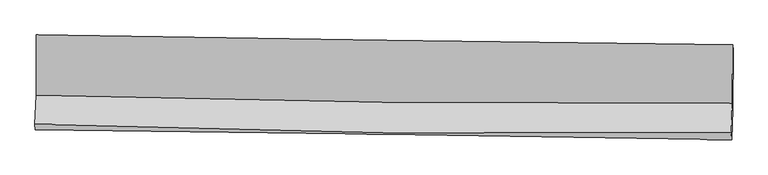
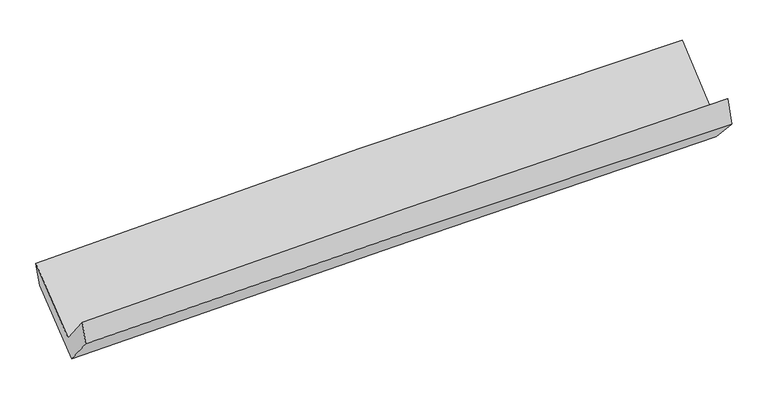
"""IFC4 building model written with IfcOpenShell, lengths in millimetres: proxy geometry."""

import ifcopenshell
import ifcopenshell.guid

model = None  # the IFC model being written
_history = None  # IfcOwnerHistory: only IFC2X3 demands one
_inside = {}  # id of a spatial element -> (the spatial element, [elements in it])
_under = {}  # id of a project, library or spatial element -> (it, [spatial elements below it])
_declared = {}  # id of a project -> (the project, [libraries it declares])
_typed = {}  # id of a type object -> (the type object, [elements of that type])
_made_of = {}  # id of a material, layer set ... -> (it, [elements and type objects made of it])


def new_model(schema):
    """Start an empty IFC model of exactly this schema.

    Asked for "IFC4X3", IfcOpenShell would pick the latest addendum, in which some entities
    have other attributes; the version numbers below select the first issue.
    IFC2X3 requires an IfcOwnerHistory on every rooted entity: one is made here for all.
    """
    global model, _history
    if schema == "IFC4X3":
        model = ifcopenshell.file(schema_version=(4, 3, 0, 0))
    else:
        model = ifcopenshell.file(schema=schema)
    _inside.clear()
    _under.clear()
    _declared.clear()
    _typed.clear()
    _made_of.clear()
    _history = None
    if model.schema == "IFC2X3":
        org = make("IfcOrganization", Name="unknown")
        user = make(
            "IfcPersonAndOrganization",
            ThePerson=make("IfcPerson", FamilyName="unknown"),
            TheOrganization=org,
        )
        app = make(
            "IfcApplication",
            ApplicationDeveloper=org,
            Version="unknown",
            ApplicationFullName="unknown",
            ApplicationIdentifier="unknown",
        )
        _history = make(
            "IfcOwnerHistory",
            OwningUser=user,
            OwningApplication=app,
            ChangeAction="ADDED",
            CreationDate=0,
        )
    return model


def make(cls, **values):
    """One entity of the class cls with the attributes given. An attribute that is None is left unset."""
    return model.create_entity(
        cls, **{name: value for name, value in values.items() if value is not None}
    )


def rooted(cls, **values):
    """An entity with a GlobalId (a new one), such as an element, a storey or a relation."""
    return make(cls, GlobalId=ifcopenshell.guid.new(), OwnerHistory=_history, **values)


def si_unit(unit_type, name, prefix=None):
    """IfcSIUnit, for example si_unit("LENGTHUNIT", "METRE", prefix="MILLI")."""
    return make("IfcSIUnit", UnitType=unit_type, Prefix=prefix, Name=name)


def assignment(units):
    """IfcUnitAssignment: the units of a project."""
    return None if units is None else make("IfcUnitAssignment", Units=units)


def point(xyz):
    """IfcCartesianPoint."""
    return None if xyz is None else make("IfcCartesianPoint", Coordinates=xyz)


def direction(xyz):
    """IfcDirection."""
    return None if xyz is None else make("IfcDirection", DirectionRatios=xyz)


def frame(location, z_axis=None, x_axis=None):
    """IfcAxis2Placement3D, a coordinate frame: its origin and axes. An axis left out is left unset."""
    return make(
        "IfcAxis2Placement3D",
        Location=point(location),
        Axis=direction(z_axis),
        RefDirection=direction(x_axis),
    )


def origin():
    """The frame at (0, 0, 0) with its axes left unset."""
    return frame((0.0, 0.0, 0.0))


def place(relative_to, where):
    """IfcLocalPlacement: puts the frame where relative to a parent placement (None: the world)."""
    return make(
        "IfcLocalPlacement", PlacementRelTo=relative_to, RelativePlacement=where
    )


def context(
    kind, dimensions, precision=None, world=None, true_north=None, identifier=None
):
    """IfcGeometricRepresentationContext, for example the 3D "Model" context."""
    return make(
        "IfcGeometricRepresentationContext",
        ContextIdentifier=identifier,
        ContextType=kind,
        CoordinateSpaceDimension=dimensions,
        Precision=precision,
        WorldCoordinateSystem=world,
        TrueNorth=true_north,
    )


def project(units=None, contexts=None):
    """IfcProject with its units and contexts."""
    return rooted(
        "IfcProject",
        Name="project",
        RepresentationContexts=contexts,
        UnitsInContext=assignment(units),
    )


def spatial(cls, under=None, at=None, **own):
    """A site, building, storey or space (cls), placed at a placement, below another one or the project."""
    s = rooted(cls, ObjectPlacement=at, **own)
    if under is not None:
        _under.setdefault(under.id(), (under, []))[1].append(s)
    return s


def shape(context_of_items, identifier, shape_type, items):
    """IfcShapeRepresentation: the items that make up one representation, for example the "Body"."""
    return make(
        "IfcShapeRepresentation",
        ContextOfItems=context_of_items,
        RepresentationIdentifier=identifier,
        RepresentationType=shape_type,
        Items=items,
    )


def source(mapping_origin, context_of_items, identifier, shape_type, items):
    """IfcRepresentationMap: a shape defined once, which mapped items show again and again."""
    return make(
        "IfcRepresentationMap",
        MappingOrigin=mapping_origin,
        MappedRepresentation=shape(context_of_items, identifier, shape_type, items),
    )


def transform(
    local_origin,
    x_axis=None,
    y_axis=None,
    z_axis=None,
    scale=None,
    scale2=None,
    scale3=None,
    uniform=True,
):
    """IfcCartesianTransformationOperator3D, or its non-uniform kind. x_axis, y_axis, z_axis: its Axis1, 2, 3."""
    if uniform:
        return make(
            "IfcCartesianTransformationOperator3D",
            Axis1=direction(x_axis),
            Axis2=direction(y_axis),
            LocalOrigin=point(local_origin),
            Scale=scale,
            Axis3=direction(z_axis),
        )
    return make(
        "IfcCartesianTransformationOperator3DnonUniform",
        Axis1=direction(x_axis),
        Axis2=direction(y_axis),
        LocalOrigin=point(local_origin),
        Scale=scale,
        Axis3=direction(z_axis),
        Scale2=scale2,
        Scale3=scale3,
    )


def mapped(mapping_source, mapping_target):
    """IfcMappedItem: shows the shape of a source again, moved by a transform."""
    return make(
        "IfcMappedItem", MappingSource=mapping_source, MappingTarget=mapping_target
    )


def made_of(thing, what):
    """Note that an element or type object is made of a material, layer set ...; save() writes the relation."""
    if what is not None:
        _made_of.setdefault(what.id(), (what, []))[1].append(thing)
    return thing


def element(
    cls,
    number,
    at=None,
    inside=None,
    cuts=None,
    type_object=None,
    material=None,
    context=None,
    identifier="Body",
    shape_type=None,
    held_by="IfcProductDefinitionShape",
    body=None,
    shapes=None,
    **own,
):
    """One element of the class cls, such as IfcWall. Its Tag is "e" and its number.

    at: its placement. inside: the storey or other place that contains it. cuts: it is an
    opening in that element (IfcRelVoidsElement). A single representation is given by context,
    identifier, shape_type and body (its items); several are given by shapes. held_by: the class
    of the entity that holds the representations. save() writes the other relations.
    """
    e = rooted(cls, Tag="e%d" % number, ObjectPlacement=at, **own)
    if body is not None:
        shapes = [shape(context, identifier, shape_type, body)]
    if shapes is not None:
        e.Representation = make(held_by, Representations=shapes)
    if inside is not None:
        _inside.setdefault(inside.id(), (inside, []))[1].append(e)
    if cuts is not None:
        rooted(
            "IfcRelVoidsElement", RelatingBuildingElement=cuts, RelatedOpeningElement=e
        )
    if type_object is not None:
        _typed.setdefault(type_object.id(), (type_object, []))[1].append(e)
    return made_of(e, material)


def aggregate(whole, parts):
    """IfcRelAggregates: a whole, such as a stair, and the parts it consists of."""
    return rooted("IfcRelAggregates", RelatingObject=whole, RelatedObjects=parts)


def save(model, path):
    """Write the relations noted so far, then the file.

    IfcRelAggregates (storeys below a building ...), IfcRelContainedInSpatialStructure (elements
    in a storey), IfcRelDefinesByType, IfcRelAssociatesMaterial and IfcRelDeclares: one each for
    every whole, place, type object, material and project.
    """
    for whole, parts in _under.values():
        aggregate(whole, parts)
    for where, things in _inside.values():
        rooted(
            "IfcRelContainedInSpatialStructure",
            RelatedElements=things,
            RelatingStructure=where,
        )
    for kind, things in _typed.values():
        rooted("IfcRelDefinesByType", RelatedObjects=things, RelatingType=kind)
    for what, things in _made_of.values():
        rooted("IfcRelAssociatesMaterial", RelatedObjects=things, RelatingMaterial=what)
    for by, libraries in _declared.values():
        rooted("IfcRelDeclares", RelatingContext=by, RelatedDefinitions=libraries)
    model.write(path)


def plane_surface(at):
    """IfcPlane: the flat surface through the origin of the frame at, square to its z axis."""
    return make("IfcPlane", Position=at)


def spline_curve(degree, points, multiplicities, knots, weights=None):
    """IfcBSplineCurveWithKnots; with weights, IfcRationalBSplineCurveWithKnots."""
    own = dict(
        Degree=degree,
        ControlPointsList=[point(p) for p in points],
        CurveForm="UNSPECIFIED",
        ClosedCurve=False,
        SelfIntersect=False,
        KnotMultiplicities=multiplicities,
        Knots=knots,
        KnotSpec="UNSPECIFIED",
    )
    if weights is None:
        return make("IfcBSplineCurveWithKnots", **own)
    return make("IfcRationalBSplineCurveWithKnots", WeightsData=weights, **own)


def spline_surface(u_degree, v_degree, points, u_multiplicities, v_multiplicities, u_knots, v_knots, weights=None):
    """IfcBSplineSurfaceWithKnots; with weights, IfcRationalBSplineSurfaceWithKnots. points: one row for each step in u."""
    own = dict(
        UDegree=u_degree,
        VDegree=v_degree,
        ControlPointsList=[[point(p) for p in row] for row in points],
        SurfaceForm="UNSPECIFIED",
        UClosed=False,
        VClosed=False,
        SelfIntersect=False,
        UMultiplicities=u_multiplicities,
        VMultiplicities=v_multiplicities,
        UKnots=u_knots,
        VKnots=v_knots,
        KnotSpec="UNSPECIFIED",
    )
    if weights is None:
        return make("IfcBSplineSurfaceWithKnots", **own)
    return make("IfcRationalBSplineSurfaceWithKnots", WeightsData=weights, **own)


def advanced_brep(points, edges, surfaces, faces):
    """IfcAdvancedBrep: a solid bounded by faces that lie on surfaces and meet in shared edges.

    An edge is (start, end): straight between two places in points (the first is 0);
    or (start, end, curve); or (start, end, curve, False) where it runs against its curve.
    A face is (place in surfaces, loops), or (place, loops, False) where it looks against
    its surface's normal. A loop lists edges by number (the first is 1), with a minus sign
    where the edge is run from its end to its start. The first loop is the outer one.
    """
    corners = [point(p) for p in points]
    vertices = [make("IfcVertexPoint", VertexGeometry=c) for c in corners]
    made = []
    for start, end, *more in edges:
        made.append(
            make(
                "IfcEdgeCurve",
                EdgeStart=vertices[start],
                EdgeEnd=vertices[end],
                EdgeGeometry=more[0] if more else make("IfcPolyline", Points=[corners[start], corners[end]]),
                SameSense=more[1] if len(more) > 1 else True,
            )
        )
    hull = []
    for where, loops, *sense in faces:
        bounds = []
        for j, loop in enumerate(loops):
            ring = [make("IfcOrientedEdge", EdgeElement=made[abs(k) - 1], Orientation=k > 0) for k in loop]
            bounds.append(
                make(
                    "IfcFaceOuterBound" if j == 0 else "IfcFaceBound",
                    Bound=make("IfcEdgeLoop", EdgeList=ring),
                    Orientation=True,
                )
            )
        hull.append(make("IfcAdvancedFace", Bounds=bounds, FaceSurface=surfaces[where], SameSense=sense[0] if sense else True))
    return make("IfcAdvancedBrep", Outer=make("IfcClosedShell", CfsFaces=hull))


def generic_models_387a6551(model_context):
    return source(origin(), model_context, "Body", "AdvancedBrep", [
        advanced_brep(
        [(-3007.1764584, -1153.7497952, 2148.6526678), (-3006.0715015, -1672.5192348, 1728.6379844), (2995.0420022, -1742.7413587, 1885.8644304), (2997.2550234, -1236.6104892, 2314.0820565), (-3017.0108899, -1924.3329409, 2039.629892), (2983.9336609, -1998.4441906, 2201.659439), (-3013.499332, -1969.5670038, 1849.7802037), (2986.7971881, -2059.3175272, 1983.453249), (-3002.9721696, -1727.2423245, 1550.5073188), (2997.5551203, -1794.5123077, 1696.1439579), (-3003.9082859, -1205.5647369, 1965.0234495), (3000.2811188, -1284.500828, 2101.2247688)],
        [
            (0, 1),
            (1, 2, spline_curve(3, [(-3006.0715015, -1672.5192348, 1728.6379844), (-2006.342747584, -1702.698402342, 1777.436621131), (-1006.174002646, -1723.638399664, 1814.938908593), (994.197908631, -1747.030165999, 1867.328639983), (1994.400331673, -1749.497543385, 1882.23516796), (2995.0420022, -1742.7413587, 1885.8644304)], [4, 2, 4], [0.0, 9.856502031402602, 19.704674865137733])),
            (2, 3),
            (3, 0, spline_curve(3, [(2997.2550234, -1236.6104892, 2314.0820565), (1996.438029134, -1226.503137734, 2309.575287392), (995.871642503, -1214.548104398, 2293.546820277), (-1005.605942088, -1186.930999607, 2238.423188075), (-2006.516716142, -1171.265801716, 2199.308525782), (-3007.1764584, -1153.7497952, 2148.6526678)], [4, 2, 4], [0.0, 9.84817283373513, 19.704674865137733])),
            (1, 4),
            (4, 5, spline_curve(3, [(-3017.0108899, -1924.3329409, 2039.629892), (-2017.525097878, -1960.104846015, 2095.335603385), (-1017.491873583, -1984.164397709, 2136.690565438), (982.823901297, -2008.84836114, 2190.67617036), (1983.105527446, -2009.492559063, 2203.331057552), (2983.9336609, -1998.4441906, 2201.659439)], [4, 2, 4], [0.0, 9.854138451571126, 19.699949702808475])),
            (5, 2),
            (4, 6),
            (6, 7, spline_curve(3, [(-3013.499332, -1969.5670038, 1849.7802037), (-2013.28746226, -1981.266524569, 1883.71153393), (-1012.945400905, -1994.599346534, 1911.818867684), (987.153659025, -2024.518947202, 1956.366710272), (1986.910437795, -2041.102966022, 1972.817058729), (2986.7971881, -2059.3175272, 1983.453249)], [4, 2, 4], [0.0, 9.852335043485144, 19.69634441059931])),
            (7, 5),
            (6, 8),
            (8, 9, spline_curve(3, [(-3002.9721696, -1727.2423245, 1550.5073188), (-2002.892612257, -1744.852584178, 1585.108850757), (-1002.597432159, -1759.264564333, 1614.548952714), (997.578695302, -1781.682488775, 1663.085779691), (1997.459278784, -1789.693836521, 1682.19122386), (2997.5551203, -1794.5123077, 1696.1439579)], [4, 2, 4], [0.0, 9.851044086130399, 19.693763586808174])),
            (9, 7),
            (8, 10),
            (10, 11, spline_curve(3, [(-3003.9082859, -1205.5647369, 1965.0234495), (-2003.074941088, -1216.029702154, 2005.378136991), (-1002.097592674, -1227.843542651, 2036.906658801), (999.299119074, -1254.157851848, 2082.292188063), (1999.718238438, -1268.656041468, 2096.164105585), (3000.2811188, -1284.500828, 2101.2247688)], [4, 2, 4], [0.0, 9.85423863240507, 19.700149979818946])),
            (11, 9),
            (10, 0),
            (3, 11),
        ],
        [
            spline_surface(3, 3, [[(-3007.1764584, -1153.7497952, 2148.6526678), (-2006.516716278, -1171.265801837, 2199.308525835), (-1005.605942152, -1186.930999696, 2238.423188115), (995.871642567, -1214.54810431, 2293.546820237), (1996.438028979, -1226.503137791, 2309.57528753), (2997.2550234, -1236.6104892, 2314.0820565)], [(-3006.80813943, -1326.672941742, 2008.647773306), (-2006.458726673, -1348.410002039, 2058.684557543), (-1005.795295635, -1365.833466355, 2097.261761575), (995.313731254, -1392.042124827, 2151.474093508), (1995.758796517, -1400.834606289, 2167.128580979), (2996.517349658, -1405.320779052, 2171.342847797)], [(-3006.43982047, -1499.596088258, 1868.642878894), (-2006.400737079, -1525.554202215, 1918.060589333), (-1005.984649139, -1544.735933078, 1956.100335052), (994.755819921, -1569.536145408, 2009.401366794), (1995.079564079, -1575.166074731, 2024.681874435), (2995.779675942, -1574.031068848, 2028.603639103)], [(-3006.0715015, -1672.5192348, 1728.6379844), (-2006.342747475, -1702.698402418, 1777.436621042), (-1006.174002623, -1723.638399737, 1814.938908512), (994.197908608, -1747.030165926, 1867.328640064), (1994.400331617, -1749.497543229, 1882.235167884), (2995.0420022, -1742.7413587, 1885.8644304)]], [4, 4], [4, 2, 4], [0.0, 2.240341100925528], [0.0, 9.856502031402602, 19.704674865137733]),
            spline_surface(3, 3, [[(-3006.0715015, -1672.5192348, 1728.6379844), (-2006.342747475, -1702.698402418, 1777.436621042), (-1006.174002623, -1723.638399737, 1814.938908512), (994.197908608, -1747.030165926, 1867.328640064), (1994.400331617, -1749.497543229, 1882.235167884), (2995.0420022, -1742.7413587, 1885.8644304)], [(-3009.717964295, -1756.457136826, 1832.301953603), (-2010.070197558, -1788.500550258, 1883.402948488), (-1009.946626337, -1810.480399097, 1922.189460764), (990.40657285, -1834.302897665, 1975.111150193), (1990.635396946, -1836.162548541, 1989.267131096), (2991.339221768, -1827.975636005, 1991.129433269)], [(-3013.364427105, -1840.395038874, 1935.965922797), (-2013.797647654, -1874.30269812, 1989.369275926), (-1013.71924998, -1897.322398401, 2029.440013056), (986.615237165, -1921.575629349, 2082.893660361), (1986.87046227, -1922.827553838, 2096.2990943), (2987.636441332, -1913.209913295, 2096.394436131)], [(-3017.0108899, -1924.3329409, 2039.629892), (-2017.525097737, -1960.10484596, 2095.335603372), (-1017.491873694, -1984.164397761, 2136.690565308), (982.823901408, -2008.848361088, 2190.67617049), (1983.105527599, -2009.492559151, 2203.331057512), (2983.9336609, -1998.4441906, 2201.659439)]], [4, 4], [4, 2, 4], [0.0, 1.3621496947556753], [0.0, 9.854138451571126, 19.699949702808475]),
            spline_surface(3, 3, [[(-3017.0108899, -1924.3329409, 2039.629892), (-2017.525097737, -1960.10484596, 2095.335603372), (-1017.491873694, -1984.164397761, 2136.690565308), (982.823901408, -2008.848361088, 2190.67617049), (1983.105527599, -2009.492559151, 2203.331057512), (2983.9336609, -1998.4441906, 2201.659439)], [(-3015.840370591, -1939.410961865, 1976.346662563), (-2016.11255253, -1967.158738805, 2024.794246936), (-1015.976382766, -1987.642714061, 2061.73333273), (984.26715396, -2014.071889746, 2112.573017131), (1984.373831012, -2020.029361427, 2126.493057878), (2984.888169957, -2018.735302784, 2128.924042313)], [(-3014.669851309, -1954.488982835, 1913.063433137), (-2014.70000735, -1974.212631656, 1954.25289051), (-1014.460891855, -1991.121030368, 1986.776100136), (985.710406495, -2019.295418411, 2034.469863756), (1985.642134455, -2030.566163751, 2049.655058305), (2985.842679043, -2039.026415016, 2056.188645687)], [(-3013.499332, -1969.5670038, 1849.7802037), (-2013.287462143, -1981.266524501, 1883.711534074), (-1012.945400927, -1994.599346668, 1911.818867558), (987.153659047, -2024.518947069, 1956.366710397), (1986.910437868, -2041.102966027, 1972.817058671), (2986.7971881, -2059.3175272, 1983.453249)]], [4, 4], [4, 2, 4], [0.0, 0.754593281665176], [0.0, 9.852335043485144, 19.69634441059931]),
            spline_surface(3, 3, [[(-3013.499332, -1969.5670038, 1849.7802037), (-2013.287462143, -1981.266524501, 1883.711534074), (-1012.945400927, -1994.599346668, 1911.818867558), (987.153659047, -2024.518947069, 1956.366710397), (1986.910437868, -2041.102966027, 1972.817058671), (2986.7971881, -2059.3175272, 1983.453249)], [(-3009.990277862, -1888.792110722, 1750.022575426), (-2009.822512157, -1902.46187775, 1784.177306368), (-1009.496078005, -1916.154419183, 1812.728895975), (990.62867116, -1943.573460983, 1858.606400119), (1990.426718127, -1957.299922863, 1875.941780465), (2990.383165485, -1971.049120686, 1887.683485313)], [(-3006.481223738, -1808.017217578, 1650.264947074), (-2006.357562184, -1823.657230933, 1684.643078584), (-1006.046755124, -1837.709491739, 1713.63892441), (994.103683231, -1862.627974938, 1760.846089857), (1993.942998432, -1873.496879742, 1779.06650222), (2993.969142915, -1882.780714214, 1791.913721587)], [(-3002.9721696, -1727.2423245, 1550.5073188), (-2002.892612198, -1744.852584182, 1585.108850878), (-1002.597432202, -1759.264564255, 1614.548952827), (997.578695345, -1781.682488853, 1663.085779579), (1997.459278691, -1789.693836578, 1682.191224014), (2997.5551203, -1794.5123077, 1696.1439579)]], [4, 4], [4, 2, 4], [0.0, 1.2469646310714064], [0.0, 9.851044086130399, 19.693763586808174]),
            spline_surface(3, 3, [[(-3002.9721696, -1727.2423245, 1550.5073188), (-2002.892612198, -1744.852584182, 1585.108850878), (-1002.597432202, -1759.264564255, 1614.548952827), (997.578695345, -1781.682488853, 1663.085779579), (1997.459278691, -1789.693836578, 1682.191224014), (2997.5551203, -1794.5123077, 1696.1439579)], [(-3003.284208371, -1553.349795278, 1688.679362359), (-2002.953388536, -1568.578290113, 1725.198612866), (-1002.430818998, -1582.124223724, 1755.33485488), (998.152169866, -1605.840943167, 1802.82124906), (1998.212265319, -1616.014571577, 1820.182184564), (2998.463786473, -1624.508481149, 1831.170894865)], [(-3003.596247129, -1379.457266122, 1826.851405941), (-2003.01416486, -1392.30399611, 1865.288374875), (-1002.264205753, -1404.983883214, 1896.120756861), (998.725644429, -1429.999397502, 1942.556718468), (1998.965251929, -1442.33530653, 1958.17314512), (2999.372452627, -1454.504654551, 1966.197831835)], [(-3003.9082859, -1205.5647369, 1965.0234495), (-2003.074941198, -1216.029702041, 2005.378136862), (-1002.09759255, -1227.843542684, 2036.906658915), (999.29911895, -1254.157851816, 2082.292187949), (1999.718238557, -1268.65604153, 2096.16410567), (3000.2811188, -1284.500828, 2101.2247688)]], [4, 4], [4, 2, 4], [0.0, 2.2188839735668666], [0.0, 9.85423863240507, 19.700149979818946]),
            spline_surface(3, 3, [[(-3003.9082859, -1205.5647369, 1965.0234495), (-2003.074941198, -1216.029702041, 2005.378136862), (-1002.09759255, -1227.843542684, 2036.906658915), (999.29911895, -1254.157851816, 2082.292187949), (1999.718238557, -1268.65604153, 2096.16410567), (3000.2811188, -1284.500828, 2101.2247688)], [(-3004.99767675, -1188.293089667, 2026.233188942), (-2004.222199575, -1201.108401973, 2070.021599862), (-1003.267042406, -1214.20602838, 2104.078835309), (998.156626833, -1240.954602672, 2152.710398707), (1998.624835389, -1254.605073608, 2167.301166299), (2999.272420358, -1268.537381725, 2172.177198042)], [(-3006.08706755, -1171.021442433, 2087.442928358), (-2005.369457901, -1186.187101905, 2134.665062835), (-1004.436492296, -1200.568514, 2171.25101172), (997.014134683, -1227.751353453, 2223.12860948), (1997.531432147, -1240.554105713, 2238.438226901), (2998.263721842, -1252.573935475, 2243.129627258)], [(-3007.1764584, -1153.7497952, 2148.6526678), (-2006.516716278, -1171.265801837, 2199.308525835), (-1005.605942152, -1186.930999696, 2238.423188115), (995.871642567, -1214.54810431, 2293.546820237), (1996.438028979, -1226.503137791, 2309.57528753), (2997.2550234, -1236.6104892, 2314.0820565)]], [4, 4], [4, 2, 4], [0.0, 0.689962573799961], [0.0, 9.858263884498937, 19.70819708248348]),
            plane_surface(frame((2993.4773523, -1686.0211169, 2030.4046503), z_axis=(0.9996188265839419, -0.020248645871013504, 0.018766829229613965), x_axis=(0.0041853845529908045, 0.7830503776920672, 0.6219442005135626))),
            plane_surface(frame((-3008.4397729, -1608.8293393, 1880.3719194), z_axis=(-0.9996251637150079, 0.01590977416723131, -0.02228028621206089), x_axis=(0.017126312842126776, -0.2715275548960111, -0.962278273858777))),
        ],
        [
            (0, [[1, 2, 3, 4]]),
            (1, [[5, 6, 7, -2]]),
            (2, [[8, 9, 10, -6]]),
            (3, [[11, 12, 13, -9]]),
            (4, [[14, 15, 16, -12]]),
            (5, [[17, -4, 18, -15]]),
            (6, [[-16, -18, -3, -7, -10, -13]]),
            (7, [[-17, -14, -11, -8, -5, -1]]),
        ],
    ),
    ])


if __name__ == "__main__":
    model = new_model("IFC4")
    model_context = context("Model", 3, world=origin())
    ifc_project = project(units=[si_unit("LENGTHUNIT", "METRE", prefix="MILLI")], contexts=[model_context])
    site = spatial("IfcSite", under=ifc_project)
    building = spatial("IfcBuilding", under=site)
    placement = place(None, origin())
    generic_models_shape = generic_models_387a6551(model_context)
    element("IfcBuildingElementProxy", 1, Name="Generic Models", at=placement, inside=building, context=model_context, shape_type="MappedRepresentation", body=[
        mapped(generic_models_shape, transform((0.0, 0.0, 0.0), x_axis=(1.0, 0.0, 0.0), y_axis=(0.0, 1.0, 0.0), z_axis=(0.0, 0.0, 1.0))),
    ])
    save(model, "model.ifc")
